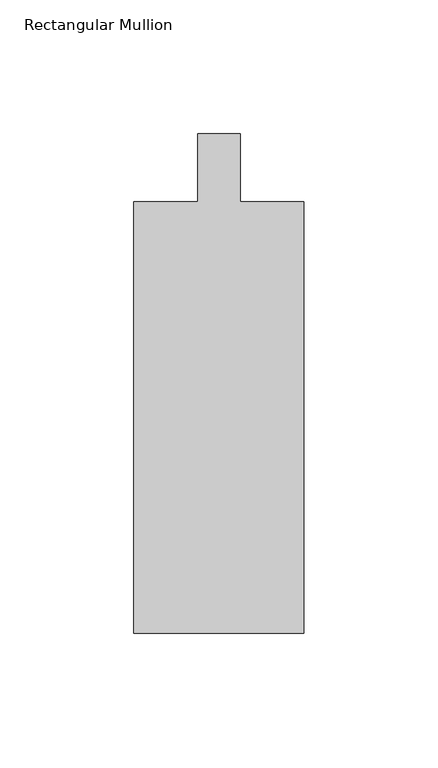
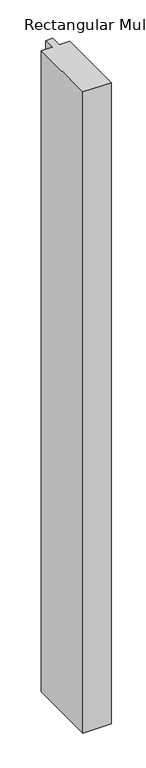
"""IFC4 building model written with IfcOpenShell, lengths in millimetres: member geometry, Rectangular Mullion."""

from ifc_helpers import new_model, si_unit, frame, origin, place, context, project, spatial, polyline, outline, extrude, source, transform, mapped, element, save


def rectangular_mullion_bea5c436(model_context):
    return source(origin(), model_context, "Body", "SweptSolid", [
        extrude(outline(polyline([(-31.75, -173.83125), (-31.75, -12.7), (-7.9375, -12.7), (-7.9375, 12.7), (7.9375, 12.7), (7.9375, -12.7), (31.75, -12.7), (31.75, -173.83125), (-31.75, -173.83125)])), frame((0.0, 0.0, -1524.0), z_axis=(0.0, 0.0, 1.0), x_axis=(1.0, 0.0, 0.0)), (0.0, 0.0, 1.0), 1524.0),
    ])


if __name__ == "__main__":
    model = new_model("IFC4")
    model_context = context("Model", 3, world=origin())
    ifc_project = project(units=[si_unit("LENGTHUNIT", "METRE", prefix="MILLI")], contexts=[model_context])
    site = spatial("IfcSite", under=ifc_project)
    building = spatial("IfcBuilding", under=site)
    placement = place(None, origin())
    rectangular_mullion_shape = rectangular_mullion_bea5c436(model_context)
    element("IfcMember", 1, ObjectType="Rectangular Mullion", at=placement, inside=building, context=model_context, shape_type="MappedRepresentation", body=[
        mapped(rectangular_mullion_shape, transform((0.0, 0.0, 0.0), x_axis=(1.0, 0.0, 0.0), y_axis=(0.0, 1.0, 0.0), z_axis=(0.0, 0.0, 1.0))),
    ])
    save(model, "model.ifc")
